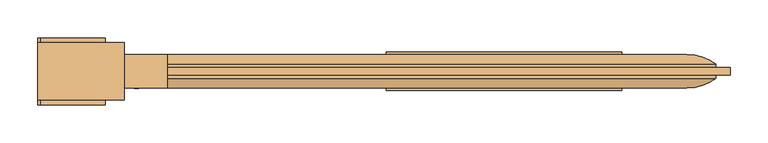
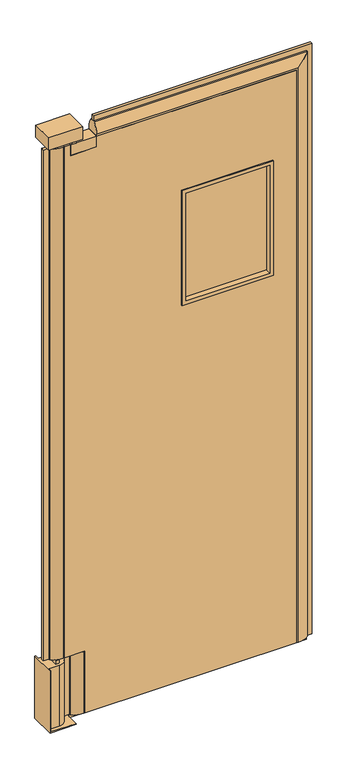
"""IFC4 building model written with IfcOpenShell, lengths in millimetres: door geometry."""

from ifc_helpers import new_model, si_unit, point, frame, frame_2d, origin, origin_with_axes, place, context, project, spatial, polyline, circle_curve, ellipse_curve, trimmed, segment, composite_curve, outline, extrude, source, transform, mapped, element, save
from ifc_brep_helpers import plane_surface, cylinder_surface, advanced_brep


def door_8d2dfd41(model_context):
    return source(origin(), model_context, "Body", "SolidModel", [
        extrude(outline(polyline([(1934.5156968, -868.9910438), (1648.7656968, -868.9910438), (1648.7656968, -856.2910438), (1934.5156968, -856.2910438), (1934.5156968, -868.9910438)])), frame((0.0, 0.0, 1374.775), z_axis=(0.0, 0.0, 1.0), x_axis=(1.0, 0.0, 0.0)), (0.0, 0.0, 1.0), 387.35),
        extrude(outline(polyline([(1774.825, 1947.2156968), (1774.825, 1636.0656968), (1362.075, 1636.0656968), (1362.075, 1947.2156968), (1774.825, 1947.2156968)]), holes=[polyline([(1374.775, 1934.5156968), (1374.775, 1648.7656968), (1762.125, 1648.7656968), (1762.125, 1934.5156968), (1374.775, 1934.5156968)])]), frame((0.0, -888.0410438, 0.0), z_axis=(0.0, 1.0, 0.0), x_axis=(0.0, 0.0, 1.0)), (0.0, 0.0, 1.0), 50.8),
        extrude(outline(polyline([(2070.1, 1258.2406968), (2070.1, 1239.1906968), (234.95, 1239.1906968), (234.95, 1309.0406968), (12.7, 1309.0406968), (12.7, 2026.5906968), (2070.1, 2026.5906968), (2070.1, 1347.1406968), (2032.0, 1347.1406968), (2032.0, 1258.2406968), (2070.1, 1258.2406968)]), holes=[polyline([(1765.3, 1937.6906968), (1371.6, 1937.6906968), (1371.6, 1645.5906968), (1765.3, 1645.5906968), (1765.3, 1937.6906968)])]), frame((0.0, -884.8660438, 0.0), z_axis=(0.0, 1.0, 0.0), x_axis=(0.0, 0.0, 1.0)), (0.0, 0.0, 1.0), 44.45),
        extrude(outline(polyline([(2133.6, 1347.1406968), (2114.55, 1347.1406968), (2114.55, 2071.0406968), (12.7, 2071.0406968), (12.7, 2090.0906968), (2133.6, 2090.0906968), (2133.6, 1347.1406968)])), frame((0.0, -867.4035438, 0.0), z_axis=(0.0, 1.0, 0.0), x_axis=(0.0, 0.0, 1.0)), (0.0, 0.0, 1.0), 9.525),
        extrude(outline(polyline([(2071.0406968, -857.8785438), (2071.0406968, -867.4035438), (1264.5906968, -867.4035438), (1264.5906968, -857.8785438), (2071.0406968, -857.8785438)])), origin_with_axes(), (0.0, 0.0, 1.0), 12.7),
        extrude(outline(polyline([(1245.5406968, -857.8785438), (1264.5906968, -857.8785438), (1264.5906968, -867.4035438), (1245.5406968, -867.4035438), (1245.5406968, -857.8785438)])), frame((0.0, 0.0, 12.7), z_axis=(0.0, 0.0, 1.0), x_axis=(1.0, 0.0, 0.0)), (0.0, 0.0, 1.0), 222.25),
        extrude(outline(polyline([(1175.6906968, -857.8785438), (1194.7406968, -857.8785438), (1194.7406968, -867.4035438), (1175.6906968, -867.4035438), (1175.6906968, -857.8785438)])), frame((0.0, 0.0, 234.95), z_axis=(0.0, 0.0, 1.0), x_axis=(1.0, 0.0, 0.0)), (0.0, 0.0, 1.0), 1835.15),
        advanced_brep(
        [(2026.5906968, -884.8660438, 12.7), (2026.5906968, -840.4160438, 12.7), (2032.9406968, -840.4160438, 12.7), (2071.0406968, -853.1160438, 12.7), (2071.0406968, -872.1660438, 12.7), (2032.9406968, -884.8660438, 12.7), (2026.5906968, -884.8660438, 2070.1), (2026.5906968, -840.4160438, 2070.1), (1347.1406968, -840.4160438, 2070.1), (1347.1406968, -840.4160438, 2076.45), (2032.9406968, -840.4160438, 2076.45), (2071.0406968, -853.1160438, 2114.55), (2071.0406968, -872.1660438, 2114.55), (2032.9406968, -884.8660438, 2076.45), (1347.1406968, -884.8660438, 2076.45), (1347.1406968, -884.8660438, 2070.1), (1347.1406968, -872.1660438, 2114.55), (1347.1406968, -853.1160438, 2114.55)],
        [
            (0, 1),
            (1, 2),
            (2, 3, circle_curve(frame((2032.9406968, -903.9160438, 12.7), z_axis=(0.0, 0.0, -1.0), x_axis=(-1.0, 0.0, 0.0)), 63.5)),
            (3, 4),
            (4, 5, circle_curve(frame((2032.9406968, -821.3660439, 12.7), z_axis=(0.0, 0.0, -1.0), x_axis=(-1.0, 0.0, 0.0)), 63.5)),
            (5, 0),
            (0, 6),
            (6, 7),
            (7, 1),
            (7, 8),
            (8, 9),
            (9, 10),
            (10, 2),
            (10, 11, ellipse_curve(frame((2032.9406968, -903.9160438, 2076.45), z_axis=(0.7071067811865475, 0.0, -0.7071067811865475), x_axis=(-0.7071067811865474, 0.0, -0.7071067811865476)), 89.8025612, 63.5)),
            (11, 3),
            (11, 12),
            (12, 4),
            (12, 13, ellipse_curve(frame((2032.9406968, -821.3660439, 2076.45), z_axis=(0.7071067811865475, 0.0, -0.7071067811865475), x_axis=(-0.7071067811865474, 0.0, -0.7071067811865476)), 89.8025612, 63.5)),
            (13, 5),
            (13, 14),
            (14, 15),
            (15, 6),
            (14, 16, circle_curve(frame((1347.1406968, -821.3660439, 2076.45), z_axis=(-1.0, 0.0, 0.0), x_axis=(0.0, 0.0, -1.0)), 63.5)),
            (16, 17),
            (17, 9, circle_curve(frame((1347.1406968, -903.9160438, 2076.45), z_axis=(-1.0, 0.0, 0.0), x_axis=(0.0, 0.0, -1.0)), 63.5)),
            (8, 15),
            (17, 11),
            (16, 12),
        ],
        [
            plane_surface(frame((2026.5906968, -862.6410438, 12.7), z_axis=(0.0, 0.0, -1.0), x_axis=(0.0, -1.0, 0.0))),
            plane_surface(frame((2026.5906968, -884.8660438, 12.7), z_axis=(-1.0, 0.0, 0.0), x_axis=(0.0, 0.0, 1.0))),
            plane_surface(frame((2026.5906968, -840.4160438, 12.7), z_axis=(0.0, 1.0, 0.0), x_axis=(0.0, 0.0, 1.0))),
            cylinder_surface(frame((2032.9406968, -903.9160438, 12.7), z_axis=(0.0, 0.0, -1.0), x_axis=(-1.0, 0.0, 0.0)), 63.5),
            plane_surface(frame((2071.0406968, -853.1160438, 12.7), z_axis=(1.0, 0.0, 0.0), x_axis=(0.0, 0.0, 1.0))),
            cylinder_surface(frame((2032.9406968, -821.3660439, 12.7), z_axis=(0.0, 0.0, -1.0), x_axis=(-1.0, 0.0, 0.0)), 63.5),
            plane_surface(frame((2032.9406968, -884.8660438, 12.7), z_axis=(0.0, -1.0, 0.0), x_axis=(0.0, 0.0, 1.0))),
            plane_surface(frame((1347.1406968, -862.6410438, 2070.1), z_axis=(-1.0, 0.0, 0.0), x_axis=(0.0, -1.0, 0.0))),
            plane_surface(frame((2026.5906968, -884.8660438, 2070.1), z_axis=(0.0, 0.0, -1.0), x_axis=(-1.0, 0.0, 0.0))),
            cylinder_surface(frame((2026.5906968, -903.9160438, 2076.45), z_axis=(1.0, 0.0, 0.0), x_axis=(0.0, 0.0, -1.0)), 63.5),
            plane_surface(frame((2071.0406968, -853.1160438, 2114.55), z_axis=(0.0, 0.0, 1.0), x_axis=(-1.0, 0.0, 0.0))),
            cylinder_surface(frame((2026.5906968, -821.3660439, 2076.45), z_axis=(1.0, 0.0, 0.0), x_axis=(0.0, 0.0, -1.0)), 63.5),
        ],
        [
            (0, [[1, 2, 3, 4, 5, 6]]),
            (1, [[-1, 7, 8, 9]]),
            (2, [[-2, -9, 10, 11, 12, 13]]),
            (3, [[-3, -13, 14, 15]]),
            (4, [[-4, -15, 16, 17]]),
            (5, [[-5, -17, 18, 19]]),
            (6, [[-6, -19, 20, 21, 22, -7]]),
            (7, [[-21, 23, 24, 25, -11, 26]]),
            (8, [[-8, -22, -26, -10]]),
            (9, [[-14, -12, -25, 27]]),
            (10, [[-16, -27, -24, 28]]),
            (11, [[-18, -28, -23, -20]]),
        ],
    ),
        extrude(outline(composite_curve([segment(trimmed(circle_curve(frame_2d((1302.6906968, -903.9160438)), 63.5), [point((1264.5906968, -853.1160438))], [point((1302.6906968, -840.4160438))], False, "CARTESIAN"), True, "CONTINUOUS"), segment(polyline([(1302.6906968, -840.4160438), (1309.0406968, -840.4160438), (1309.0406968, -884.8660438), (1302.6906968, -884.8660438)]), True, "CONTINUOUS"), segment(trimmed(circle_curve(frame_2d((1302.6906968, -821.3660439)), 63.5), [point((1302.6906968, -884.8660438))], [point((1264.5906968, -872.1660438))], False, "CARTESIAN"), True, "CONTINUOUS"), segment(polyline([(1264.5906968, -872.1660438), (1264.5906968, -853.1160438)]), True, "CONTINUOUS")], self_intersect=False)), frame((0.0, 0.0, 12.7), z_axis=(0.0, 0.0, 1.0), x_axis=(1.0, 0.0, 0.0)), (0.0, 0.0, 1.0), 222.25),
        extrude(outline(composite_curve([segment(trimmed(circle_curve(frame_2d((1232.8406968, -903.9160438)), 63.5), [point((1194.7406968, -853.1160438))], [point((1232.8406968, -840.4160438))], False, "CARTESIAN"), True, "CONTINUOUS"), segment(polyline([(1232.8406968, -840.4160438), (1239.1906968, -840.4160438), (1239.1906968, -884.8660438), (1232.8406968, -884.8660438)]), True, "CONTINUOUS"), segment(trimmed(circle_curve(frame_2d((1232.8406968, -821.3660439)), 63.5), [point((1232.8406968, -884.8660438))], [point((1194.7406968, -872.1660438))], False, "CARTESIAN"), True, "CONTINUOUS"), segment(polyline([(1194.7406968, -872.1660438), (1194.7406968, -853.1160438)]), True, "CONTINUOUS")], self_intersect=False)), frame((0.0, 0.0, 234.95), z_axis=(0.0, 0.0, 1.0), x_axis=(1.0, 0.0, 0.0)), (0.0, 0.0, 1.0), 1835.15),
        extrude(outline(polyline([(1277.2906968, -884.8660438), (1264.5906968, -884.8660438), (1264.5906968, -840.4160438), (1277.2906968, -840.4160438), (1277.2906968, -884.8660438)])), frame((0.0, 0.0, 2070.1), z_axis=(0.0, 0.0, 1.0), x_axis=(1.0, 0.0, 0.0)), (0.0, 0.0, 1.0), 19.05),
        extrude(outline(polyline([(1220.1406968, -884.8660438), (1207.4406968, -884.8660438), (1207.4406968, -840.4160438), (1220.1406968, -840.4160438), (1220.1406968, -884.8660438)])), frame((0.0, 0.0, 222.25), z_axis=(0.0, 0.0, 1.0), x_axis=(1.0, 0.0, 0.0)), (0.0, 0.0, 1.0), 12.7),
        extrude(outline(polyline([(1347.1406968, -884.8660438), (1258.2406968, -884.8660438), (1258.2406968, -840.4160438), (1347.1406968, -840.4160438), (1347.1406968, -884.8660438)])), frame((0.0, 0.0, 2032.0), z_axis=(0.0, 0.0, 1.0), x_axis=(1.0, 0.0, 0.0)), (0.0, 0.0, 1.0), 38.1),
        extrude(outline(polyline([(1289.9906968, -900.7410438), (1175.6906968, -900.7410438), (1175.6906968, -824.5410438), (1289.9906968, -824.5410438), (1289.9906968, -900.7410438)])), frame((0.0, 0.0, 2089.15), z_axis=(0.0, 0.0, 1.0), x_axis=(1.0, 0.0, 0.0)), (0.0, 0.0, 1.0), 44.45),
        advanced_brep(
        [(1264.5906968, -907.0910438, 0.0), (1264.5906968, -907.0910438, 3.175), (1178.8656968, -907.0910438, 3.175), (1178.8656968, -907.0910438, 222.25), (1175.6906968, -907.0910438, 222.25), (1175.6906968, -907.0910438, 0.0), (1175.6906968, -818.1910438, 222.25), (1178.8656968, -818.1910438, 222.25), (1178.8656968, -818.1910438, 3.175), (1264.5906968, -818.1910438, 3.175), (1264.5906968, -818.1910438, 0.0), (1175.6906968, -818.1910438, 0.0), (1178.8656968, -830.8910438, 3.175), (1213.7906968, -830.8910438, 3.175), (1213.7906968, -894.3910438, 3.175), (1178.8656968, -894.3910438, 3.175), (1178.8656968, -894.3910438, 222.25), (1213.7906968, -894.3910438, 222.25), (1213.7906968, -830.8910438, 222.25), (1178.8656968, -830.8910438, 222.25)],
        [
            (0, 1),
            (1, 2),
            (2, 3),
            (3, 4),
            (4, 5),
            (5, 0),
            (6, 7),
            (7, 8),
            (8, 9),
            (9, 10),
            (10, 11),
            (11, 6),
            (0, 10),
            (9, 1),
            (8, 12),
            (12, 13),
            (13, 14, circle_curve(frame((1213.7906968, -862.6410438, 3.175), z_axis=(0.0, 0.0, -1.0), x_axis=(1.0, 0.0, 0.0)), 31.75)),
            (14, 15),
            (15, 2),
            (4, 6),
            (11, 5),
            (3, 16),
            (16, 17),
            (17, 18, circle_curve(frame((1213.7906968, -862.6410438, 222.25), z_axis=(0.0, 0.0, 1.0), x_axis=(1.0, 0.0, 0.0)), 31.75)),
            (18, 19),
            (19, 7),
            (15, 16),
            (14, 17),
            (13, 18),
            (12, 19),
        ],
        [
            plane_surface(frame((1264.5906968, -907.0910438, 0.0), z_axis=(0.0, -1.0, 0.0), x_axis=(0.0, 0.0, 1.0))),
            plane_surface(frame((1264.5906968, -818.1910438, 0.0), z_axis=(0.0, 1.0, 0.0), x_axis=(0.0, 0.0, -1.0))),
            plane_surface(frame((1264.5906968, -907.0910438, 0.0), z_axis=(1.0, 0.0, 0.0), x_axis=(0.0, 1.0, 0.0))),
            plane_surface(frame((1264.5906968, -907.0910438, 3.175), z_axis=(0.0, 0.0, 1.0), x_axis=(0.0, 1.0, 0.0))),
            plane_surface(frame((1175.6906968, -907.0910438, 3.175), z_axis=(-1.0, 0.0, 0.0), x_axis=(0.0, 1.0, 0.0))),
            plane_surface(frame((1175.6906968, -907.0910438, 0.0), z_axis=(0.0, 0.0, -1.0), x_axis=(0.0, 1.0, 0.0))),
            plane_surface(frame((1175.6906968, -818.1910438, 222.25), z_axis=(0.0, 0.0, 1.0), x_axis=(-1.0, 0.0, 0.0))),
            plane_surface(frame((1178.8656968, -907.0910438, 222.25), z_axis=(1.0, 0.0, 0.0), x_axis=(0.0, 0.0, -1.0))),
            plane_surface(frame((1178.8656968, -894.3910438, 222.25), z_axis=(0.0, -1.0, 0.0), x_axis=(0.0, 0.0, -1.0))),
            cylinder_surface(frame((1213.7906968, -862.6410438, 0.0), z_axis=(0.0, 0.0, 1.0), x_axis=(1.0, 0.0, 0.0)), 31.75),
            plane_surface(frame((1213.7906968, -830.8910438, 222.25), z_axis=(0.0, 1.0, 0.0), x_axis=(0.0, 0.0, -1.0))),
            plane_surface(frame((1178.8656968, -830.8910438, 222.25), z_axis=(1.0, 0.0, 0.0), x_axis=(0.0, 0.0, -1.0))),
        ],
        [
            (0, [[1, 2, 3, 4, 5, 6]]),
            (1, [[7, 8, 9, 10, 11, 12]]),
            (2, [[-1, 13, -10, 14]]),
            (3, [[-14, -9, 15, 16, 17, 18, 19, -2]]),
            (4, [[-5, 20, -12, 21]]),
            (5, [[-11, -13, -6, -21]]),
            (6, [[-7, -20, -4, 22, 23, 24, 25, 26]]),
            (7, [[-22, -3, -19, 27]]),
            (8, [[-23, -27, -18, 28]]),
            (9, [[-24, -28, -17, 29]]),
            (10, [[-25, -29, -16, 30]]),
            (11, [[-26, -30, -15, -8]]),
        ],
    ),
    ])


if __name__ == "__main__":
    model = new_model("IFC4")
    model_context = context("Model", 3, world=origin())
    ifc_project = project(units=[si_unit("LENGTHUNIT", "METRE", prefix="MILLI")], contexts=[model_context])
    site = spatial("IfcSite", under=ifc_project)
    building = spatial("IfcBuilding", under=site)
    placement = place(None, origin())
    door_shape = door_8d2dfd41(model_context)
    element("IfcDoor", 1, at=placement, inside=building, context=model_context, shape_type="MappedRepresentation", body=[
        mapped(door_shape, transform((0.0, 0.0, 0.0), x_axis=(1.0, 0.0, 0.0), y_axis=(0.0, 1.0, 0.0), z_axis=(0.0, 0.0, 1.0))),
    ])
    save(model, "model.ifc")
